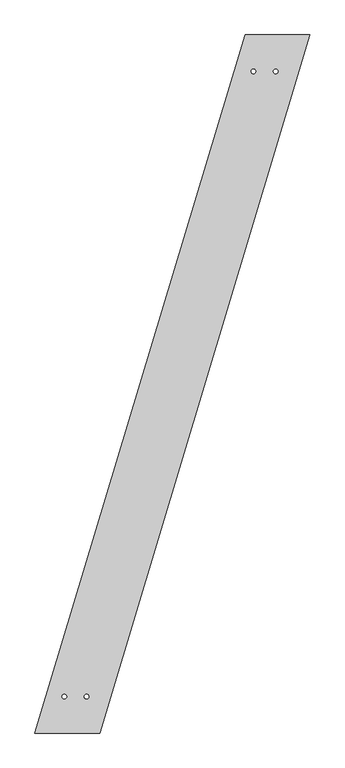
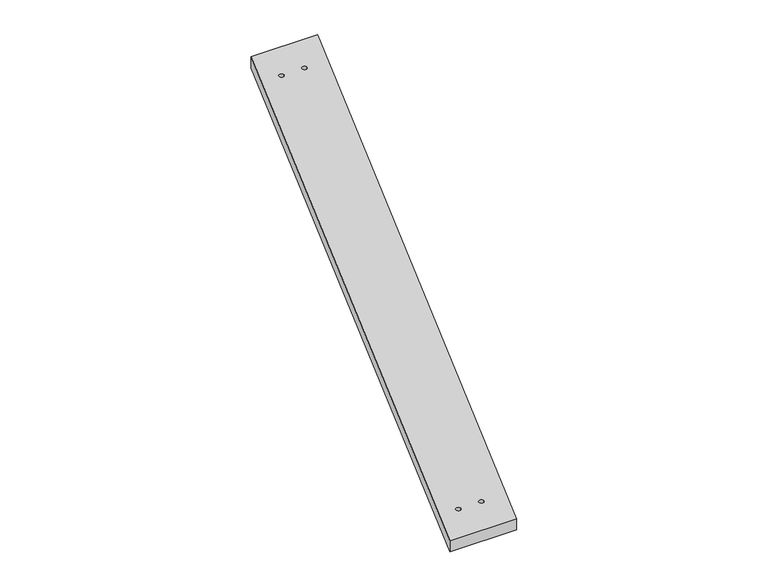
"""IFC4 building model written with IfcOpenShell, lengths in millimetres: proxy geometry."""

from ifc_helpers import new_model, si_unit, point, frame_2d, origin, origin_with_axes, place, context, project, spatial, polyline, circle_curve, trimmed, segment, composite_curve, outline, extrude, source, transform, mapped, element, save


def generic_models_31421b37(model_context):
    return source(origin(), model_context, "Body", "SweptSolid", [
        extrude(outline(polyline([(910.7002073, 3025.9255001), (1190.7002073, 3025.9255001), (280.0, 0.0), (0.0, 0.0), (910.7002073, 3025.9255001)]), holes=[composite_curve([segment(trimmed(circle_curve(frame_2d((946.9029138, 2867.9255001)), 10.0), [point((936.9029138, 2867.9255001))], [point((956.9029138, 2867.9255001))], True, "CARTESIAN"), True, "CONTINUOUS"), segment(trimmed(circle_curve(frame_2d((946.9029138, 2867.9255001)), 10.0), [point((956.9029138, 2867.9255001))], [point((936.9029138, 2867.9255001))], True, "CARTESIAN"), True, "CONTINUOUS")], self_intersect=False), composite_curve([segment(trimmed(circle_curve(frame_2d((1043.6301866, 2867.9255001)), 10.0), [point((1033.6301866, 2867.9255001))], [point((1053.6301866, 2867.9255001))], True, "CARTESIAN"), True, "CONTINUOUS"), segment(trimmed(circle_curve(frame_2d((1043.6301866, 2867.9255001)), 10.0), [point((1053.6301866, 2867.9255001))], [point((1033.6301866, 2867.9255001))], True, "CARTESIAN"), True, "CONTINUOUS")], self_intersect=False), composite_curve([segment(trimmed(circle_curve(frame_2d((127.2727273, 158.0)), 10.0), [point((117.2727273, 158.0))], [point((137.2727273, 158.0))], True, "CARTESIAN"), True, "CONTINUOUS"), segment(trimmed(circle_curve(frame_2d((127.2727273, 158.0)), 10.0), [point((137.2727273, 158.0))], [point((117.2727273, 158.0))], True, "CARTESIAN"), True, "CONTINUOUS")], self_intersect=False), composite_curve([segment(trimmed(circle_curve(frame_2d((224.0, 158.0)), 10.0), [point((214.0, 158.0))], [point((234.0, 158.0))], True, "CARTESIAN"), True, "CONTINUOUS"), segment(trimmed(circle_curve(frame_2d((224.0, 158.0)), 10.0), [point((234.0, 158.0))], [point((214.0, 158.0))], True, "CARTESIAN"), True, "CONTINUOUS")], self_intersect=False)]), origin_with_axes(), (0.0, 0.0, 1.0), 50.0),
    ])


if __name__ == "__main__":
    model = new_model("IFC4")
    model_context = context("Model", 3, world=origin())
    ifc_project = project(units=[si_unit("LENGTHUNIT", "METRE", prefix="MILLI")], contexts=[model_context])
    site = spatial("IfcSite", under=ifc_project)
    building = spatial("IfcBuilding", under=site)
    placement = place(None, origin())
    generic_models_shape = generic_models_31421b37(model_context)
    element("IfcBuildingElementProxy", 1, Name="Generic Models", at=placement, inside=building, context=model_context, shape_type="MappedRepresentation", body=[
        mapped(generic_models_shape, transform((0.0, 0.0, 0.0), x_axis=(1.0, 0.0, 0.0), y_axis=(0.0, 1.0, 0.0), z_axis=(0.0, 0.0, 1.0))),
    ])
    save(model, "model.ifc")
